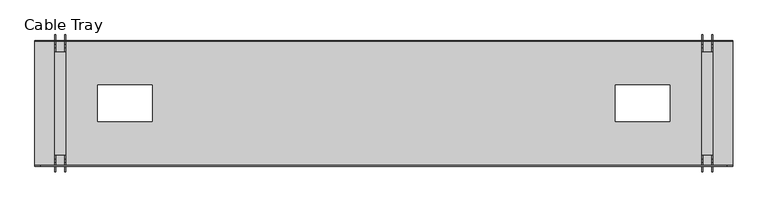
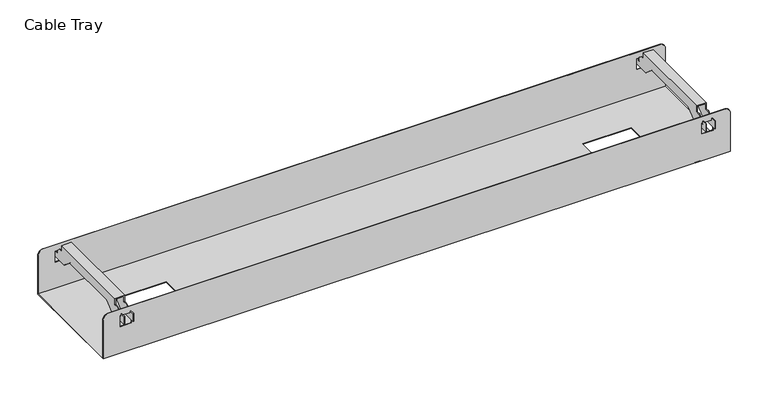
"""IFC4 building model written with IfcOpenShell, lengths in millimetres: furniture geometry, Cable Tray."""

from ifc_helpers import new_model, si_unit, frame, origin, place, context, project, spatial, circle_curve, faceted_brep, source, transform, mapped, element, save
from ifc_brep_helpers import plane_surface, cylinder_surface, advanced_brep


def cable_tray_955a914d(model_context):
    return source(origin(), model_context, "Body", "SolidModel", [
        advanced_brep(
        [(189.9999976, -70.9998744, 616.0), (189.9999976, -288.9998724, 616.0), (1410.0000024, -288.9998724, 616.0), (1410.0000024, -70.9998744, 616.0), (394.9999976, -147.9998734, 616.0), (394.9999976, -211.9998734, 616.0), (299.9999976, -211.9998734, 616.0), (299.9999976, -147.9998734, 616.0), (1205.0000024, -147.9998734, 616.0), (1300.0000024, -147.9998734, 616.0), (1300.0000024, -211.9998734, 616.0), (1205.0000024, -211.9998734, 616.0), (189.9999976, -69.9998744, 615.0), (1409.9999488, -69.9998744, 615.0), (1410.0000024, -289.9998724, 615.0), (189.9999976, -289.9998724, 615.0), (394.9999976, -147.9998734, 615.0), (299.9999976, -147.9998734, 615.0), (299.9999976, -211.9998734, 615.0), (394.9999976, -211.9998734, 615.0), (1205.0000024, -147.9998734, 615.0), (1205.0000024, -211.9998734, 615.0), (1300.0000024, -211.9998734, 615.0), (1300.0000024, -147.9998734, 615.0), (189.9999976, -70.9998744, 695.0), (189.9999976, -69.9998744, 695.0), (189.9999976, -289.9998724, 695.0), (189.9999976, -288.9998724, 695.0), (1410.0000024, -288.9998724, 695.0), (1410.0000024, -289.9998724, 695.0), (1410.0000024, -69.9998744, 695.0), (1410.0000024, -70.9998744, 695.0), (1399.9999488, -70.9998744, 705.0), (199.9999976, -70.9998744, 705.0), (1376.9990561, -70.9998744, 670.0), (1354.9990182, -70.9998744, 670.0), (1354.9990182, -70.9998744, 692.0), (1376.9990561, -70.9998744, 692.0), (223.0009439, -70.9998744, 670.0), (223.0009439, -70.9998744, 692.0), (245.0009818, -70.9998744, 692.0), (245.0009818, -70.9998744, 670.0), (1399.9999488, -69.9998744, 705.0), (199.9999976, -69.9998744, 705.0), (1376.9990561, -69.9998744, 670.0), (1376.9990561, -69.9998744, 692.0), (1354.9990182, -69.9998744, 692.0), (1354.9990182, -69.9998744, 670.0), (223.0009439, -69.9998744, 670.0), (245.0009818, -69.9998744, 670.0), (245.0009818, -69.9998744, 692.0), (223.0009439, -69.9998744, 692.0), (1400.0000024, -288.9998724, 705.0), (199.9999976, -288.9998724, 705.0), (1376.9990561, -288.9998724, 670.0), (1376.9990561, -288.9998724, 692.0), (1354.9990182, -288.9998724, 692.0), (1354.9990182, -288.9998724, 670.0), (223.0009439, -288.9998724, 670.0), (245.0009818, -288.9998724, 670.0), (245.0009818, -288.9998724, 692.0), (223.0009439, -288.9998724, 692.0), (1400.0000024, -289.9998724, 705.0), (199.9999976, -289.9998724, 705.0), (1376.9990561, -289.9998724, 670.0), (1354.9990182, -289.9998724, 670.0), (1354.9990182, -289.9998724, 692.0), (1376.9990561, -289.9998724, 692.0), (223.0009439, -289.9998724, 670.0), (223.0009439, -289.9998724, 692.0), (245.0009818, -289.9998724, 692.0), (245.0009818, -289.9998724, 670.0)],
        [
            (0, 1),
            (1, 2),
            (2, 3),
            (3, 0),
            (4, 5),
            (5, 6),
            (6, 7),
            (7, 4),
            (8, 9),
            (9, 10),
            (10, 11),
            (11, 8),
            (12, 13),
            (13, 14),
            (14, 15),
            (15, 12),
            (16, 17),
            (17, 18),
            (18, 19),
            (19, 16),
            (20, 21),
            (21, 22),
            (22, 23),
            (23, 20),
            (0, 24),
            (24, 25),
            (25, 12),
            (15, 26),
            (26, 27),
            (27, 1),
            (2, 28),
            (28, 29),
            (29, 14),
            (13, 30),
            (30, 31),
            (31, 3),
            (4, 16),
            (19, 5),
            (18, 6),
            (17, 7),
            (8, 20),
            (23, 9),
            (22, 10),
            (21, 11),
            (32, 33),
            (33, 24, circle_curve(frame((199.9999976, -70.9998744, 695.0), z_axis=(0.0, -1.0, 0.0), x_axis=(1.0, 0.0, 0.0)), 10.0)),
            (31, 32, circle_curve(frame((1399.9999488, -70.9998744, 695.0), z_axis=(0.0, -1.0, 0.0), x_axis=(1.0, 0.0, 0.0)), 10.0)),
            (34, 35),
            (35, 36),
            (36, 37),
            (37, 34),
            (38, 39),
            (39, 40),
            (40, 41),
            (41, 38),
            (42, 30, circle_curve(frame((1399.9999488, -69.9998744, 695.0), z_axis=(0.0, 1.0, 0.0), x_axis=(1.0, 0.0, 0.0)), 10.0)),
            (25, 43, circle_curve(frame((199.9999976, -69.9998744, 695.0), z_axis=(0.0, 1.0, 0.0), x_axis=(1.0, 0.0, 0.0)), 10.0)),
            (43, 42),
            (44, 45),
            (45, 46),
            (46, 47),
            (47, 44),
            (48, 49),
            (49, 50),
            (50, 51),
            (51, 48),
            (32, 42),
            (43, 33),
            (34, 44),
            (47, 35),
            (46, 36),
            (45, 37),
            (38, 48),
            (51, 39),
            (50, 40),
            (49, 41),
            (52, 28, circle_curve(frame((1400.0000024, -288.9998724, 695.0), z_axis=(0.0, 1.0, 0.0), x_axis=(1.0, 0.0, 0.0)), 10.0)),
            (27, 53, circle_curve(frame((199.9999976, -288.9998724, 695.0), z_axis=(0.0, 1.0, 0.0), x_axis=(1.0, 0.0, 0.0)), 10.0)),
            (53, 52),
            (54, 55),
            (55, 56),
            (56, 57),
            (57, 54),
            (58, 59),
            (59, 60),
            (60, 61),
            (61, 58),
            (62, 63),
            (63, 26, circle_curve(frame((199.9999976, -289.9998724, 695.0), z_axis=(0.0, -1.0, 0.0), x_axis=(1.0, 0.0, 0.0)), 10.0)),
            (29, 62, circle_curve(frame((1400.0000024, -289.9998724, 695.0), z_axis=(0.0, -1.0, 0.0), x_axis=(1.0, 0.0, 0.0)), 10.0)),
            (64, 65),
            (65, 66),
            (66, 67),
            (67, 64),
            (68, 69),
            (69, 70),
            (70, 71),
            (71, 68),
            (53, 63),
            (62, 52),
            (57, 65),
            (64, 54),
            (56, 66),
            (55, 67),
            (61, 69),
            (68, 58),
            (60, 70),
            (59, 71),
        ],
        [
            plane_surface(frame((189.9999976, -70.9998744, 616.0), z_axis=(0.0, 0.0, 1.0), x_axis=(-1.0, 0.0, 0.0))),
            plane_surface(frame((189.9999976, -70.9998744, 615.0), z_axis=(0.0, 0.0, -1.0), x_axis=(1.0, 0.0, 0.0))),
            plane_surface(frame((189.9999976, -70.9998744, 616.0), z_axis=(-1.0, 0.0, 0.0), x_axis=(0.0, 0.0, -1.0))),
            plane_surface(frame((1410.0000024, -288.9998724, 616.0), z_axis=(1.0, 0.0, 0.0), x_axis=(0.0, 0.0, -1.0))),
            plane_surface(frame((394.9999976, -147.9998734, 616.0), z_axis=(-1.0, 0.0, 0.0), x_axis=(0.0, 0.0, -1.0))),
            plane_surface(frame((394.9999976, -211.9998734, 616.0), z_axis=(0.0, 1.0, 0.0), x_axis=(0.0, 0.0, -1.0))),
            plane_surface(frame((299.9999976, -211.9998734, 616.0), z_axis=(1.0, 0.0, 0.0), x_axis=(0.0, 0.0, -1.0))),
            plane_surface(frame((299.9999976, -147.9998734, 616.0), z_axis=(0.0, -1.0, 0.0), x_axis=(0.0, 0.0, -1.0))),
            plane_surface(frame((1205.0000024, -147.9998734, 616.0), z_axis=(0.0, -1.0, 0.0), x_axis=(0.0, 0.0, -1.0))),
            plane_surface(frame((1300.0000024, -147.9998734, 616.0), z_axis=(-1.0, 0.0, 0.0), x_axis=(0.0, 0.0, -1.0))),
            plane_surface(frame((1300.0000024, -211.9998734, 616.0), z_axis=(0.0, 1.0, 0.0), x_axis=(0.0, 0.0, -1.0))),
            plane_surface(frame((1205.0000024, -211.9998734, 616.0), z_axis=(1.0, 0.0, 0.0), x_axis=(0.0, 0.0, -1.0))),
            plane_surface(frame((199.9999976, -70.9998744, 705.0), z_axis=(0.0, -1.0, 0.0), x_axis=(-1.0, 0.0, 0.0))),
            plane_surface(frame((199.9999976, -69.9998744, 705.0), z_axis=(0.0, 1.0, 0.0), x_axis=(1.0, 0.0, 0.0))),
            plane_surface(frame((1399.9999488, -70.9998744, 705.0), z_axis=(0.0, 0.0, 1.0), x_axis=(0.0, 1.0, 0.0))),
            cylinder_surface(frame((199.9999976, -69.9998744, 695.0), z_axis=(0.0, -1.0, 0.0), x_axis=(1.0, 0.0, 0.0)), 10.0),
            cylinder_surface(frame((1399.9999488, -69.9998744, 695.0), z_axis=(0.0, -1.0, 0.0), x_axis=(1.0, 0.0, 0.0)), 10.0),
            plane_surface(frame((1376.9990561, -70.9998744, 670.0), z_axis=(0.0, 0.0, 1.0), x_axis=(0.0, 1.0, 0.0))),
            plane_surface(frame((1354.9990182, -70.9998744, 670.0), z_axis=(1.0, 0.0, 0.0), x_axis=(0.0, 1.0, 0.0))),
            plane_surface(frame((1354.9990182, -70.9998744, 692.0), z_axis=(0.0, 0.0, -1.0), x_axis=(0.0, 1.0, 0.0))),
            plane_surface(frame((1376.9990561, -70.9998744, 692.0), z_axis=(-1.0, 0.0, 0.0), x_axis=(0.0, 1.0, 0.0))),
            plane_surface(frame((223.0009439, -70.9998744, 670.0), z_axis=(1.0, 0.0, 0.0), x_axis=(0.0, 1.0, 0.0))),
            plane_surface(frame((223.0009439, -70.9998744, 692.0), z_axis=(0.0, 0.0, -1.0), x_axis=(0.0, 1.0, 0.0))),
            plane_surface(frame((245.0009818, -70.9998744, 692.0), z_axis=(-1.0, 0.0, 0.0), x_axis=(0.0, 1.0, 0.0))),
            plane_surface(frame((245.0009818, -70.9998744, 670.0), z_axis=(0.0, 0.0, 1.0), x_axis=(0.0, 1.0, 0.0))),
            plane_surface(frame((1410.0000024, -288.9998724, 695.0), z_axis=(0.0, 1.0, 0.0), x_axis=(0.0, 0.0, -1.0))),
            plane_surface(frame((1410.0000024, -289.9998724, 695.0), z_axis=(0.0, -1.0, 0.0), x_axis=(0.0, 0.0, 1.0))),
            plane_surface(frame((199.9999976, -288.9998724, 705.0), z_axis=(0.0, 0.0, 1.0), x_axis=(0.0, -1.0, 0.0))),
            cylinder_surface(frame((199.9999976, -289.9998724, 695.0), z_axis=(0.0, 1.0, 0.0), x_axis=(1.0, 0.0, 0.0)), 10.0),
            cylinder_surface(frame((1400.0000024, -289.9998724, 695.0), z_axis=(0.0, 1.0, 0.0), x_axis=(1.0, 0.0, 0.0)), 10.0),
            plane_surface(frame((1354.9990182, -288.9998724, 670.0), z_axis=(0.0, 0.0, 1.0), x_axis=(0.0, -1.0, 0.0))),
            plane_surface(frame((1354.9990182, -288.9998724, 692.0), z_axis=(1.0, 0.0, 0.0), x_axis=(0.0, -1.0, 0.0))),
            plane_surface(frame((1376.9990561, -288.9998724, 692.0), z_axis=(0.0, 0.0, -1.0), x_axis=(0.0, -1.0, 0.0))),
            plane_surface(frame((1376.9990561, -288.9998724, 670.0), z_axis=(-1.0, 0.0, 0.0), x_axis=(0.0, -1.0, 0.0))),
            plane_surface(frame((223.0009439, -288.9998724, 692.0), z_axis=(1.0, 0.0, 0.0), x_axis=(0.0, -1.0, 0.0))),
            plane_surface(frame((245.0009818, -288.9998724, 692.0), z_axis=(0.0, 0.0, -1.0), x_axis=(0.0, -1.0, 0.0))),
            plane_surface(frame((245.0009818, -288.9998724, 670.0), z_axis=(-1.0, 0.0, 0.0), x_axis=(0.0, -1.0, 0.0))),
            plane_surface(frame((223.0009439, -288.9998724, 670.0), z_axis=(0.0, 0.0, 1.0), x_axis=(0.0, -1.0, 0.0))),
        ],
        [
            (0, [[1, 2, 3, 4], [5, 6, 7, 8], [9, 10, 11, 12]]),
            (1, [[13, 14, 15, 16], [17, 18, 19, 20], [21, 22, 23, 24]]),
            (2, [[-1, 25, 26, 27, -16, 28, 29, 30]]),
            (3, [[-3, 31, 32, 33, -14, 34, 35, 36]]),
            (4, [[-5, 37, -20, 38]]),
            (5, [[-6, -38, -19, 39]]),
            (6, [[-7, -39, -18, 40]]),
            (7, [[-8, -40, -17, -37]]),
            (8, [[-9, 41, -24, 42]]),
            (9, [[-10, -42, -23, 43]]),
            (10, [[-11, -43, -22, 44]]),
            (11, [[-12, -44, -21, -41]]),
            (12, [[45, 46, -25, -4, -36, 47], [48, 49, 50, 51], [52, 53, 54, 55]]),
            (13, [[56, -34, -13, -27, 57, 58], [59, 60, 61, 62], [63, 64, 65, 66]]),
            (14, [[-45, 67, -58, 68]]),
            (15, [[-46, -68, -57, -26]]),
            (16, [[-47, -35, -56, -67]]),
            (17, [[-48, 69, -62, 70]]),
            (18, [[-49, -70, -61, 71]]),
            (19, [[-50, -71, -60, 72]]),
            (20, [[-51, -72, -59, -69]]),
            (21, [[-52, 73, -66, 74]]),
            (22, [[-53, -74, -65, 75]]),
            (23, [[-54, -75, -64, 76]]),
            (24, [[-55, -76, -63, -73]]),
            (25, [[77, -31, -2, -30, 78, 79], [80, 81, 82, 83], [84, 85, 86, 87]]),
            (26, [[88, 89, -28, -15, -33, 90], [91, 92, 93, 94], [95, 96, 97, 98]]),
            (27, [[-79, 99, -88, 100]]),
            (28, [[-78, -29, -89, -99]]),
            (29, [[-77, -100, -90, -32]]),
            (30, [[-83, 101, -91, 102]]),
            (31, [[-82, 103, -92, -101]]),
            (32, [[-81, 104, -93, -103]]),
            (33, [[-80, -102, -94, -104]]),
            (34, [[-87, 105, -95, 106]]),
            (35, [[-86, 107, -96, -105]]),
            (36, [[-85, 108, -97, -107]]),
            (37, [[-84, -106, -98, -108]]),
        ],
    ),
        faceted_brep([(1356.4999999, -269.9996975, 702.5), (1357.9999999, -269.9996975, 702.5), (1357.9999999, -269.9996975, 713.5), (1373.9999995, -269.9996975, 713.5), (1373.9999995, -269.9996975, 702.5), (1375.4999995, -269.9996975, 702.5), (1375.4999995, -269.9996975, 715.0), (1356.4999999, -269.9996975, 715.0), (1375.4999995, -89.9998106, 715.0), (1375.4999995, -89.9998106, 702.5), (1373.9999995, -89.9998106, 702.5), (1373.9999995, -89.9998106, 713.5), (1357.9999999, -89.9998106, 713.5), (1357.9999999, -89.9998106, 702.5), (1356.4999999, -89.9998106, 702.5), (1356.4999999, -89.9998106, 715.0), (1375.4999995, -277.2588255, 702.5), (1375.4999995, -282.9998734, 697.6826888), (1375.4999995, -282.9998734, 690.0), (1375.4999995, -290.9999263, 690.0), (1375.4999995, -290.9999263, 696.0), (1375.4999995, -299.9998734, 696.0), (1375.4999995, -299.9998734, 680.0), (1375.4999995, -260.9499426, 680.0), (1375.4999995, -241.8818851, 696.0), (1375.4999995, -118.1178617, 696.0), (1375.4999995, -99.0498042, 680.0), (1375.4999995, -59.9998734, 680.0), (1375.4999995, -59.9998734, 696.0), (1375.4999995, -68.9998206, 696.0), (1375.4999995, -68.9998206, 690.0), (1375.4999995, -76.9998734, 690.0), (1375.4999995, -76.9998734, 697.6826888), (1375.4999995, -82.7409214, 702.5), (1356.4999999, -82.7409214, 702.5), (1356.4999999, -76.9998734, 697.6826888), (1356.4999999, -76.9998734, 690.0), (1356.4999999, -68.9998206, 690.0), (1356.4999999, -68.9998206, 696.0), (1356.4999999, -59.9998734, 696.0), (1356.4999999, -59.9998734, 680.0), (1356.4999999, -99.0498042, 680.0), (1356.4999999, -118.1178617, 696.0), (1356.4999999, -241.8818851, 696.0), (1356.4999999, -260.9499426, 680.0), (1356.4999999, -299.9998734, 680.0), (1356.4999999, -299.9998734, 696.0), (1356.4999999, -290.9999263, 696.0), (1356.4999999, -290.9999263, 690.0), (1356.4999999, -282.9998734, 690.0), (1356.4999999, -282.9998734, 697.6826888), (1356.4999999, -277.2588255, 702.5), (1373.9999995, -82.7409214, 702.5), (1373.9999995, -76.9998734, 697.6826888), (1373.9999995, -76.9998734, 690.0), (1373.9999995, -68.9998206, 690.0), (1373.9999995, -68.9998206, 696.0), (1373.9999995, -59.9998734, 696.0), (1373.9999995, -59.9998734, 680.0), (1373.9999995, -99.0498042, 680.0), (1373.9999995, -118.1178617, 696.0), (1373.9999995, -241.8818851, 696.0), (1373.9999995, -260.9499426, 680.0), (1373.9999995, -299.9998734, 680.0), (1373.9999995, -299.9998734, 696.0), (1373.9999995, -290.9999263, 696.0), (1373.9999995, -290.9999263, 690.0), (1373.9999995, -282.9998734, 690.0), (1373.9999995, -282.9998734, 697.6826888), (1373.9999995, -277.2588255, 702.5), (1357.9999999, -277.2588255, 702.5), (1357.9999999, -282.9998734, 697.6826888), (1357.9999999, -282.9998734, 690.0), (1357.9999999, -290.9999263, 690.0), (1357.9999999, -290.9999263, 696.0), (1357.9999999, -299.9998734, 696.0), (1357.9999999, -299.9998734, 680.0), (1357.9999999, -260.9499426, 680.0), (1357.9999999, -241.8818851, 696.0), (1357.9999999, -118.1178617, 696.0), (1357.9999999, -99.0498042, 680.0), (1357.9999999, -59.9998734, 680.0), (1357.9999999, -59.9998734, 696.0), (1357.9999999, -68.9998206, 696.0), (1357.9999999, -68.9998206, 690.0), (1357.9999999, -76.9998734, 690.0), (1357.9999999, -76.9998734, 697.6826888), (1357.9999999, -82.7409214, 702.5)], [[[0, 1, 2, 3, 4, 5, 6, 7]], [[8, 9, 10, 11, 12, 13, 14, 15]], [[7, 6, 8, 15]], [[8, 6, 5, 16, 17, 18, 19, 20, 21, 22, 23, 24, 25, 26, 27, 28, 29, 30, 31, 32, 33, 9]], [[11, 3, 2, 12]], [[0, 7, 15, 14, 34, 35, 36, 37, 38, 39, 40, 41, 42, 43, 44, 45, 46, 47, 48, 49, 50, 51]], [[10, 52, 53, 54, 55, 56, 57, 58, 59, 60, 61, 62, 63, 64, 65, 66, 67, 68, 69, 4, 3, 11]], [[4, 69, 16, 5]], [[69, 68, 17, 16]], [[68, 67, 18, 17]], [[67, 66, 19, 18]], [[66, 65, 20, 19]], [[65, 64, 21, 20]], [[64, 63, 22, 21]], [[63, 62, 23, 22]], [[62, 61, 24, 23]], [[61, 60, 25, 24]], [[60, 59, 26, 25]], [[59, 58, 27, 26]], [[58, 57, 28, 27]], [[57, 56, 29, 28]], [[56, 55, 30, 29]], [[55, 54, 31, 30]], [[54, 53, 32, 31]], [[53, 52, 33, 32]], [[52, 10, 9, 33]], [[1, 70, 71, 72, 73, 74, 75, 76, 77, 78, 79, 80, 81, 82, 83, 84, 85, 86, 87, 13, 12, 2]], [[0, 51, 70, 1]], [[51, 50, 71, 70]], [[50, 49, 72, 71]], [[49, 48, 73, 72]], [[48, 47, 74, 73]], [[47, 46, 75, 74]], [[46, 45, 76, 75]], [[45, 44, 77, 76]], [[44, 43, 78, 77]], [[43, 42, 79, 78]], [[42, 41, 80, 79]], [[41, 40, 81, 80]], [[40, 39, 82, 81]], [[39, 38, 83, 82]], [[38, 37, 84, 83]], [[37, 36, 85, 84]], [[36, 35, 86, 85]], [[35, 34, 87, 86]], [[34, 14, 13, 87]]]),
        faceted_brep([(224.5000005, -269.9996975, 715.0), (224.5000005, -269.9996975, 702.5), (226.0000005, -269.9996975, 702.5), (226.0000005, -269.9996975, 713.5), (242.0000001, -269.9996975, 713.5), (242.0000001, -269.9996975, 702.5), (243.5000001, -269.9996975, 702.5), (243.5000001, -269.9996975, 715.0), (243.5000001, -89.9998106, 702.5), (242.0000001, -89.9998106, 702.5), (242.0000001, -89.9998106, 713.5), (226.0000005, -89.9998106, 713.5), (226.0000005, -89.9998106, 702.5), (224.5000005, -89.9998106, 702.5), (224.5000005, -89.9998106, 715.0), (243.5000001, -89.9998106, 715.0), (224.5000005, -82.7409214, 702.5), (224.5000005, -76.9998734, 697.6826888), (224.5000005, -76.9998734, 690.0), (224.5000005, -68.9998206, 690.0), (224.5000005, -68.9998206, 696.0), (224.5000005, -59.9998734, 696.0), (224.5000005, -59.9998734, 680.0), (224.5000005, -99.0498042, 680.0), (224.5000005, -118.1178617, 696.0), (224.5000005, -241.8818851, 696.0), (224.5000005, -260.9499426, 680.0), (224.5000005, -299.9998734, 680.0), (224.5000005, -299.9998734, 696.0), (224.5000005, -290.9999263, 696.0), (224.5000005, -290.9999263, 690.0), (224.5000005, -282.9998734, 690.0), (224.5000005, -282.9998734, 697.6826888), (224.5000005, -277.2588255, 702.5), (243.5000001, -277.2588255, 702.5), (243.5000001, -282.9998734, 697.6826888), (243.5000001, -282.9998734, 690.0), (243.5000001, -290.9999263, 690.0), (243.5000001, -290.9999263, 696.0), (243.5000001, -299.9998734, 696.0), (243.5000001, -299.9998734, 680.0), (243.5000001, -260.9499426, 680.0), (243.5000001, -241.8818851, 696.0), (243.5000001, -118.1178617, 696.0), (243.5000001, -99.0498042, 680.0), (243.5000001, -59.9998734, 680.0), (243.5000001, -59.9998734, 696.0), (243.5000001, -68.9998206, 696.0), (243.5000001, -68.9998206, 690.0), (243.5000001, -76.9998734, 690.0), (243.5000001, -76.9998734, 697.6826888), (243.5000001, -82.7409214, 702.5), (226.0000005, -277.2588255, 702.5), (226.0000005, -282.9998734, 697.6826888), (226.0000005, -282.9998734, 690.0), (226.0000005, -290.9999263, 690.0), (226.0000005, -290.9999263, 696.0), (226.0000005, -299.9998734, 696.0), (226.0000005, -299.9998734, 680.0), (226.0000005, -260.9499426, 680.0), (226.0000005, -241.8818851, 696.0), (226.0000005, -118.1178617, 696.0), (226.0000005, -99.0498042, 680.0), (226.0000005, -59.9998734, 680.0), (226.0000005, -59.9998734, 696.0), (226.0000005, -68.9998206, 696.0), (226.0000005, -68.9998206, 690.0), (226.0000005, -76.9998734, 690.0), (226.0000005, -76.9998734, 697.6826888), (226.0000005, -82.7409214, 702.5), (242.0000001, -82.7409214, 702.5), (242.0000001, -76.9998734, 697.6826888), (242.0000001, -76.9998734, 690.0), (242.0000001, -68.9998206, 690.0), (242.0000001, -68.9998206, 696.0), (242.0000001, -59.9998734, 696.0), (242.0000001, -59.9998734, 680.0), (242.0000001, -99.0498042, 680.0), (242.0000001, -118.1178617, 696.0), (242.0000001, -241.8818851, 696.0), (242.0000001, -260.9499426, 680.0), (242.0000001, -299.9998734, 680.0), (242.0000001, -299.9998734, 696.0), (242.0000001, -290.9999263, 696.0), (242.0000001, -290.9999263, 690.0), (242.0000001, -282.9998734, 690.0), (242.0000001, -282.9998734, 697.6826888), (242.0000001, -277.2588255, 702.5)], [[[0, 1, 2, 3, 4, 5, 6, 7]], [[8, 9, 10, 11, 12, 13, 14, 15]], [[0, 7, 15, 14]], [[0, 14, 13, 16, 17, 18, 19, 20, 21, 22, 23, 24, 25, 26, 27, 28, 29, 30, 31, 32, 33, 1]], [[3, 11, 10, 4]], [[7, 6, 34, 35, 36, 37, 38, 39, 40, 41, 42, 43, 44, 45, 46, 47, 48, 49, 50, 51, 8, 15]], [[2, 52, 53, 54, 55, 56, 57, 58, 59, 60, 61, 62, 63, 64, 65, 66, 67, 68, 69, 12, 11, 3]], [[52, 2, 1, 33]], [[53, 52, 33, 32]], [[54, 53, 32, 31]], [[55, 54, 31, 30]], [[56, 55, 30, 29]], [[57, 56, 29, 28]], [[58, 57, 28, 27]], [[59, 58, 27, 26]], [[60, 59, 26, 25]], [[61, 60, 25, 24]], [[62, 61, 24, 23]], [[63, 62, 23, 22]], [[64, 63, 22, 21]], [[65, 64, 21, 20]], [[66, 65, 20, 19]], [[67, 66, 19, 18]], [[68, 67, 18, 17]], [[69, 68, 17, 16]], [[12, 69, 16, 13]], [[9, 70, 71, 72, 73, 74, 75, 76, 77, 78, 79, 80, 81, 82, 83, 84, 85, 86, 87, 5, 4, 10]], [[34, 6, 5, 87]], [[35, 34, 87, 86]], [[36, 35, 86, 85]], [[37, 36, 85, 84]], [[38, 37, 84, 83]], [[39, 38, 83, 82]], [[40, 39, 82, 81]], [[41, 40, 81, 80]], [[42, 41, 80, 79]], [[43, 42, 79, 78]], [[44, 43, 78, 77]], [[45, 44, 77, 76]], [[46, 45, 76, 75]], [[47, 46, 75, 74]], [[48, 47, 74, 73]], [[49, 48, 73, 72]], [[50, 49, 72, 71]], [[51, 50, 71, 70]], [[8, 51, 70, 9]]]),
    ])


if __name__ == "__main__":
    model = new_model("IFC4")
    model_context = context("Model", 3, world=origin())
    ifc_project = project(units=[si_unit("LENGTHUNIT", "METRE", prefix="MILLI")], contexts=[model_context])
    site = spatial("IfcSite", under=ifc_project)
    building = spatial("IfcBuilding", under=site)
    placement = place(None, origin())
    cable_tray_shape = cable_tray_955a914d(model_context)
    element("IfcFurniture", 1, ObjectType="Cable Tray", at=placement, inside=building, context=model_context, shape_type="MappedRepresentation", body=[
        mapped(cable_tray_shape, transform((0.0, 0.0, 0.0), x_axis=(1.0, 0.0, 0.0), y_axis=(0.0, 1.0, 0.0), z_axis=(0.0, 0.0, 1.0))),
    ])
    save(model, "model.ifc")
